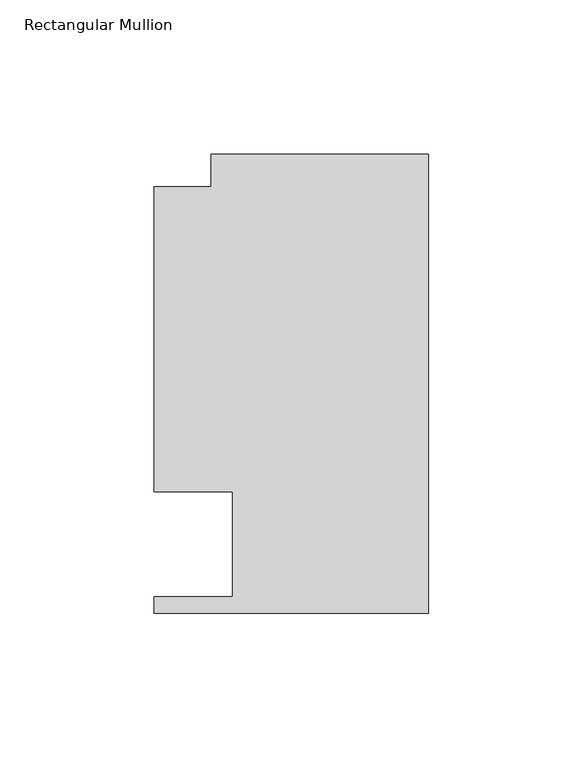
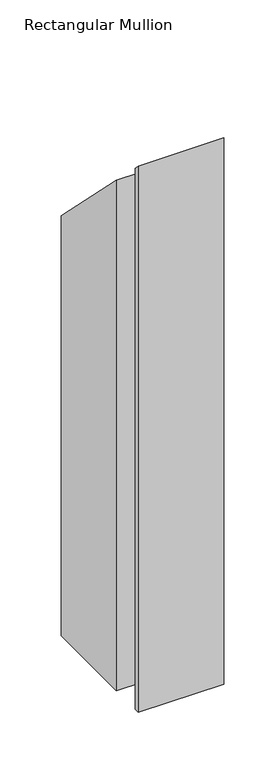
"""IFC4 building model written with IfcOpenShell, lengths in millimetres: member geometry, Rectangular Mullion."""

from ifc_helpers import new_model, si_unit, origin, place, context, project, spatial, faceted_brep, source, transform, mapped, element, save


def rectangular_mullion_dfeacf13(model_context):
    return source(origin(), model_context, "Body", "Brep", [
        faceted_brep([(0.0, 148.737016, -599.5695714), (0.0, 0.0198437, -599.5695714), (-88.9090899, 0.0198437, -599.5695714), (-88.9090899, 5.3538437, -599.5695714), (-63.5090899, 5.3538437, -599.5695714), (-63.5090899, 39.3898438, -599.5695714), (-88.9090899, 39.3898438, -599.5695714), (-88.9090899, 138.3230199, -599.5695714), (-70.3924898, 138.3230199, -599.5695714), (-70.3924898, 148.737016, -599.5695714), (-70.3924898, 148.737016, -148.737016), (0.0, 148.737016, -148.737016), (-70.3924898, 138.3230199, -138.3230199), (-88.9090899, 138.3230199, -138.3230199), (-88.9090899, 39.3898438, -39.3898437), (-63.5090899, 39.3898438, -39.3898437), (-63.5090899, 5.3538437, -5.3538437), (-88.9090899, 5.3538437, -5.3538437), (-88.9090899, 0.0198437, -0.0198437), (0.0, 0.0198437, -0.0198437)], [[[0, 1, 2, 3, 4, 5, 6, 7, 8, 9]], [[10, 11, 0, 9]], [[12, 10, 9, 8]], [[13, 12, 8, 7]], [[14, 13, 7, 6]], [[15, 14, 6, 5]], [[16, 15, 5, 4]], [[17, 16, 4, 3]], [[18, 17, 3, 2]], [[19, 18, 2, 1]], [[11, 19, 1, 0]], [[11, 10, 12, 13, 14, 15, 16, 17, 18, 19]]]),
    ])


if __name__ == "__main__":
    model = new_model("IFC4")
    model_context = context("Model", 3, world=origin())
    ifc_project = project(units=[si_unit("LENGTHUNIT", "METRE", prefix="MILLI")], contexts=[model_context])
    site = spatial("IfcSite", under=ifc_project)
    building = spatial("IfcBuilding", under=site)
    placement = place(None, origin())
    rectangular_mullion_shape = rectangular_mullion_dfeacf13(model_context)
    element("IfcMember", 1, ObjectType="Rectangular Mullion", at=placement, inside=building, context=model_context, shape_type="MappedRepresentation", body=[
        mapped(rectangular_mullion_shape, transform((0.0, 0.0, 0.0), x_axis=(1.0, 0.0, 0.0), y_axis=(0.0, 1.0, 0.0), z_axis=(0.0, 0.0, 1.0))),
    ])
    save(model, "model.ifc")
